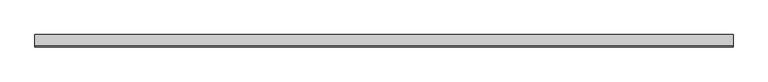
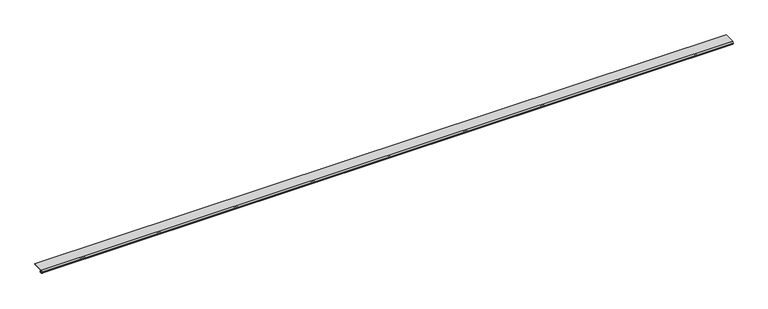
"""IFC4 building model written with IfcOpenShell, lengths in millimetres: proxy geometry."""

import ifcopenshell
import ifcopenshell.guid

model = None  # the IFC model being written
_history = None  # IfcOwnerHistory: only IFC2X3 demands one
_inside = {}  # id of a spatial element -> (the spatial element, [elements in it])
_under = {}  # id of a project, library or spatial element -> (it, [spatial elements below it])
_declared = {}  # id of a project -> (the project, [libraries it declares])
_typed = {}  # id of a type object -> (the type object, [elements of that type])
_made_of = {}  # id of a material, layer set ... -> (it, [elements and type objects made of it])


def new_model(schema):
    """Start an empty IFC model of exactly this schema.

    Asked for "IFC4X3", IfcOpenShell would pick the latest addendum, in which some entities
    have other attributes; the version numbers below select the first issue.
    IFC2X3 requires an IfcOwnerHistory on every rooted entity: one is made here for all.
    """
    global model, _history
    if schema == "IFC4X3":
        model = ifcopenshell.file(schema_version=(4, 3, 0, 0))
    else:
        model = ifcopenshell.file(schema=schema)
    _inside.clear()
    _under.clear()
    _declared.clear()
    _typed.clear()
    _made_of.clear()
    _history = None
    if model.schema == "IFC2X3":
        org = make("IfcOrganization", Name="unknown")
        user = make(
            "IfcPersonAndOrganization",
            ThePerson=make("IfcPerson", FamilyName="unknown"),
            TheOrganization=org,
        )
        app = make(
            "IfcApplication",
            ApplicationDeveloper=org,
            Version="unknown",
            ApplicationFullName="unknown",
            ApplicationIdentifier="unknown",
        )
        _history = make(
            "IfcOwnerHistory",
            OwningUser=user,
            OwningApplication=app,
            ChangeAction="ADDED",
            CreationDate=0,
        )
    return model


def make(cls, **values):
    """One entity of the class cls with the attributes given. An attribute that is None is left unset."""
    return model.create_entity(
        cls, **{name: value for name, value in values.items() if value is not None}
    )


def rooted(cls, **values):
    """An entity with a GlobalId (a new one), such as an element, a storey or a relation."""
    return make(cls, GlobalId=ifcopenshell.guid.new(), OwnerHistory=_history, **values)


def si_unit(unit_type, name, prefix=None):
    """IfcSIUnit, for example si_unit("LENGTHUNIT", "METRE", prefix="MILLI")."""
    return make("IfcSIUnit", UnitType=unit_type, Prefix=prefix, Name=name)


def assignment(units):
    """IfcUnitAssignment: the units of a project."""
    return None if units is None else make("IfcUnitAssignment", Units=units)


def point(xyz):
    """IfcCartesianPoint."""
    return None if xyz is None else make("IfcCartesianPoint", Coordinates=xyz)


def direction(xyz):
    """IfcDirection."""
    return None if xyz is None else make("IfcDirection", DirectionRatios=xyz)


def frame(location, z_axis=None, x_axis=None):
    """IfcAxis2Placement3D, a coordinate frame: its origin and axes. An axis left out is left unset."""
    return make(
        "IfcAxis2Placement3D",
        Location=point(location),
        Axis=direction(z_axis),
        RefDirection=direction(x_axis),
    )


def frame_2d(location, x_axis=None):
    """IfcAxis2Placement2D, a coordinate frame in the plane: its origin and x axis."""
    return make(
        "IfcAxis2Placement2D", Location=point(location), RefDirection=direction(x_axis)
    )


def origin():
    """The frame at (0, 0, 0) with its axes left unset."""
    return frame((0.0, 0.0, 0.0))


def place(relative_to, where):
    """IfcLocalPlacement: puts the frame where relative to a parent placement (None: the world)."""
    return make(
        "IfcLocalPlacement", PlacementRelTo=relative_to, RelativePlacement=where
    )


def context(
    kind, dimensions, precision=None, world=None, true_north=None, identifier=None
):
    """IfcGeometricRepresentationContext, for example the 3D "Model" context."""
    return make(
        "IfcGeometricRepresentationContext",
        ContextIdentifier=identifier,
        ContextType=kind,
        CoordinateSpaceDimension=dimensions,
        Precision=precision,
        WorldCoordinateSystem=world,
        TrueNorth=true_north,
    )


def project(units=None, contexts=None):
    """IfcProject with its units and contexts."""
    return rooted(
        "IfcProject",
        Name="project",
        RepresentationContexts=contexts,
        UnitsInContext=assignment(units),
    )


def spatial(cls, under=None, at=None, **own):
    """A site, building, storey or space (cls), placed at a placement, below another one or the project."""
    s = rooted(cls, ObjectPlacement=at, **own)
    if under is not None:
        _under.setdefault(under.id(), (under, []))[1].append(s)
    return s


def polyline(points):
    """IfcPolyline through the points."""
    return make("IfcPolyline", Points=[point(p) for p in points])


def circle_curve(where, radius):
    """IfcCircle in the frame where."""
    return make("IfcCircle", Position=where, Radius=radius)


def trimmed(basis, trim1, trim2, sense, master):
    """IfcTrimmedCurve: the piece of a basis curve between two trims."""
    return make(
        "IfcTrimmedCurve",
        BasisCurve=basis,
        Trim1=trim1,
        Trim2=trim2,
        SenseAgreement=sense,
        MasterRepresentation=master,
    )


def segment(curve, same_sense, transition):
    """IfcCompositeCurveSegment."""
    return make(
        "IfcCompositeCurveSegment",
        Transition=transition,
        SameSense=same_sense,
        ParentCurve=curve,
    )


def composite_curve(segments, self_intersect=None):
    """IfcCompositeCurve: segments joined end to end."""
    return make("IfcCompositeCurve", Segments=segments, SelfIntersect=self_intersect)


def outline(outer, holes=None, kind="AREA"):
    """IfcArbitraryClosedProfileDef: a profile drawn as a closed curve; with holes, ...WithVoids."""
    if holes is None:
        return make("IfcArbitraryClosedProfileDef", ProfileType=kind, OuterCurve=outer)
    return make(
        "IfcArbitraryProfileDefWithVoids",
        ProfileType=kind,
        OuterCurve=outer,
        InnerCurves=holes,
    )


def extrude(swept, where, along, depth):
    """IfcExtrudedAreaSolid: the profile swept, set in the frame where, extruded along a direction by depth."""
    return make(
        "IfcExtrudedAreaSolid",
        SweptArea=swept,
        Position=where,
        ExtrudedDirection=direction(along),
        Depth=depth,
    )


def shape(context_of_items, identifier, shape_type, items):
    """IfcShapeRepresentation: the items that make up one representation, for example the "Body"."""
    return make(
        "IfcShapeRepresentation",
        ContextOfItems=context_of_items,
        RepresentationIdentifier=identifier,
        RepresentationType=shape_type,
        Items=items,
    )


def source(mapping_origin, context_of_items, identifier, shape_type, items):
    """IfcRepresentationMap: a shape defined once, which mapped items show again and again."""
    return make(
        "IfcRepresentationMap",
        MappingOrigin=mapping_origin,
        MappedRepresentation=shape(context_of_items, identifier, shape_type, items),
    )


def transform(
    local_origin,
    x_axis=None,
    y_axis=None,
    z_axis=None,
    scale=None,
    scale2=None,
    scale3=None,
    uniform=True,
):
    """IfcCartesianTransformationOperator3D, or its non-uniform kind. x_axis, y_axis, z_axis: its Axis1, 2, 3."""
    if uniform:
        return make(
            "IfcCartesianTransformationOperator3D",
            Axis1=direction(x_axis),
            Axis2=direction(y_axis),
            LocalOrigin=point(local_origin),
            Scale=scale,
            Axis3=direction(z_axis),
        )
    return make(
        "IfcCartesianTransformationOperator3DnonUniform",
        Axis1=direction(x_axis),
        Axis2=direction(y_axis),
        LocalOrigin=point(local_origin),
        Scale=scale,
        Axis3=direction(z_axis),
        Scale2=scale2,
        Scale3=scale3,
    )


def mapped(mapping_source, mapping_target):
    """IfcMappedItem: shows the shape of a source again, moved by a transform."""
    return make(
        "IfcMappedItem", MappingSource=mapping_source, MappingTarget=mapping_target
    )


def made_of(thing, what):
    """Note that an element or type object is made of a material, layer set ...; save() writes the relation."""
    if what is not None:
        _made_of.setdefault(what.id(), (what, []))[1].append(thing)
    return thing


def element(
    cls,
    number,
    at=None,
    inside=None,
    cuts=None,
    type_object=None,
    material=None,
    context=None,
    identifier="Body",
    shape_type=None,
    held_by="IfcProductDefinitionShape",
    body=None,
    shapes=None,
    **own,
):
    """One element of the class cls, such as IfcWall. Its Tag is "e" and its number.

    at: its placement. inside: the storey or other place that contains it. cuts: it is an
    opening in that element (IfcRelVoidsElement). A single representation is given by context,
    identifier, shape_type and body (its items); several are given by shapes. held_by: the class
    of the entity that holds the representations. save() writes the other relations.
    """
    e = rooted(cls, Tag="e%d" % number, ObjectPlacement=at, **own)
    if body is not None:
        shapes = [shape(context, identifier, shape_type, body)]
    if shapes is not None:
        e.Representation = make(held_by, Representations=shapes)
    if inside is not None:
        _inside.setdefault(inside.id(), (inside, []))[1].append(e)
    if cuts is not None:
        rooted(
            "IfcRelVoidsElement", RelatingBuildingElement=cuts, RelatedOpeningElement=e
        )
    if type_object is not None:
        _typed.setdefault(type_object.id(), (type_object, []))[1].append(e)
    return made_of(e, material)


def aggregate(whole, parts):
    """IfcRelAggregates: a whole, such as a stair, and the parts it consists of."""
    return rooted("IfcRelAggregates", RelatingObject=whole, RelatedObjects=parts)


def save(model, path):
    """Write the relations noted so far, then the file.

    IfcRelAggregates (storeys below a building ...), IfcRelContainedInSpatialStructure (elements
    in a storey), IfcRelDefinesByType, IfcRelAssociatesMaterial and IfcRelDeclares: one each for
    every whole, place, type object, material and project.
    """
    for whole, parts in _under.values():
        aggregate(whole, parts)
    for where, things in _inside.values():
        rooted(
            "IfcRelContainedInSpatialStructure",
            RelatedElements=things,
            RelatingStructure=where,
        )
    for kind, things in _typed.values():
        rooted("IfcRelDefinesByType", RelatedObjects=things, RelatingType=kind)
    for what, things in _made_of.values():
        rooted("IfcRelAssociatesMaterial", RelatedObjects=things, RelatingMaterial=what)
    for by, libraries in _declared.values():
        rooted("IfcRelDeclares", RelatingContext=by, RelatedDefinitions=libraries)
    model.write(path)


def generic_models_176359e3(model_context):
    return source(origin(), model_context, "Body", "SweptSolid", [
        extrude(outline(composite_curve([segment(polyline([(31.75, 13.2537076), (31.75, 11.6837076), (4.9698231, 11.6837076)]), True, "CONTINUOUS"), segment(trimmed(circle_curve(frame_2d((4.9836004, 10.5900854)), 1.093709), [point((4.9698231, 11.6837076))], [point((4.9454257, 9.4970429))], True, "CARTESIAN"), True, "CONTINUOUS"), segment(polyline([(4.9454257, 9.4970429), (6.3252986, 9.4327708)]), True, "CONTINUOUS"), segment(trimmed(circle_curve(frame_2d((6.2190404, 7.151486)), 2.2837581), [point((6.3252986, 9.4327708))], [point((6.2190404, 4.8677279))], False, "CARTESIAN"), True, "CONTINUOUS"), segment(polyline([(6.2190404, 4.8677279), (2.2867276, 4.8677279)]), True, "CONTINUOUS"), segment(trimmed(circle_curve(frame_2d((2.2867276, 5.5318063)), 0.6640784), [point((2.2867276, 4.8677279))], [point((2.2368711, 6.1940104))], False, "CARTESIAN"), True, "CONTINUOUS"), segment(polyline([(2.2368711, 6.1940104), (4.5055344, 6.3177279), (6.0740222, 6.3177279)]), True, "CONTINUOUS"), segment(trimmed(circle_curve(frame_2d((6.0740222, 7.2927279)), 0.975), [point((6.0740222, 6.3177279))], [point((6.0740222, 8.2677279))], True, "CARTESIAN"), True, "CONTINUOUS"), segment(polyline([(6.0740222, 8.2677279), (4.8748016, 8.2677279), (3.9297655, 8.3107178)]), True, "CONTINUOUS"), segment(trimmed(circle_curve(frame_2d((2.4847467, 6.6596487)), 2.1941076), [point((3.9297655, 8.3107178))], [point((1.0903749, 8.3537076))], True, "CARTESIAN"), True, "CONTINUOUS"), segment(polyline([(1.0903749, 8.3537076), (0.065443, 8.3537076), (0.065443, 9.2261945), (2.1184419, 13.2537076), (31.75, 13.2537076)]), True, "CONTINUOUS")], self_intersect=False)), frame((0.0, 0.0, 0.0), z_axis=(1.0, 0.0, 0.0), x_axis=(0.0, 1.0, 0.0)), (0.0, 0.0, 1.0), 1815.546),
    ])


if __name__ == "__main__":
    model = new_model("IFC4")
    model_context = context("Model", 3, world=origin())
    ifc_project = project(units=[si_unit("LENGTHUNIT", "METRE", prefix="MILLI")], contexts=[model_context])
    site = spatial("IfcSite", under=ifc_project)
    building = spatial("IfcBuilding", under=site)
    placement = place(None, origin())
    generic_models_shape = generic_models_176359e3(model_context)
    element("IfcBuildingElementProxy", 1, Name="Generic Models", at=placement, inside=building, context=model_context, shape_type="MappedRepresentation", body=[
        mapped(generic_models_shape, transform((0.0, 0.0, 0.0), x_axis=(1.0, 0.0, 0.0), y_axis=(0.0, 1.0, 0.0), z_axis=(0.0, 0.0, 1.0))),
    ])
    save(model, "model.ifc")
